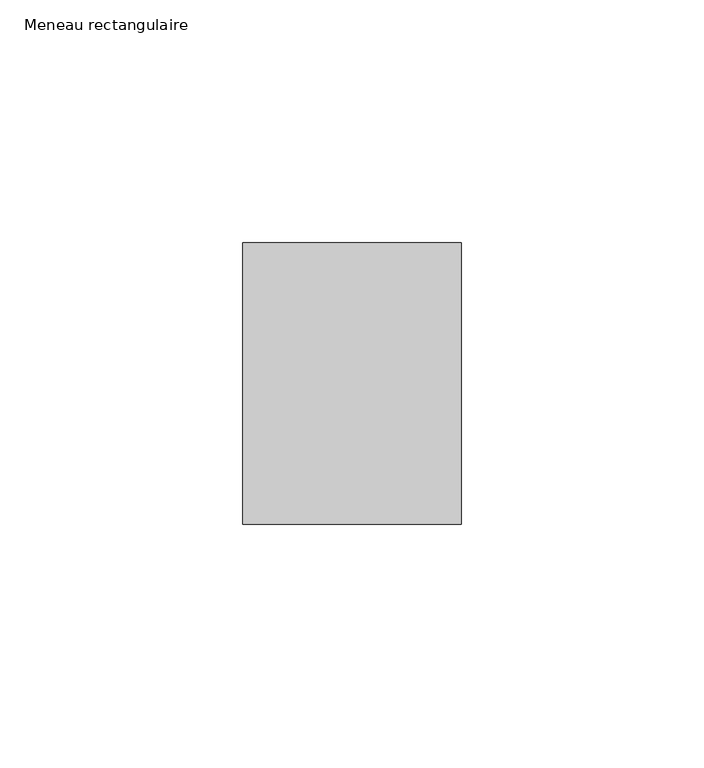
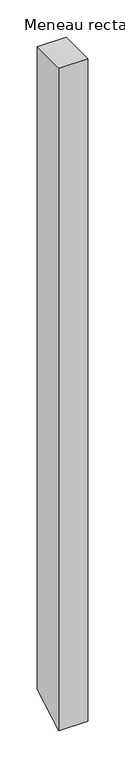
"""IFC4 building model written with IfcOpenShell, lengths in millimetres: member geometry, Meneau rectangulaire."""

from ifc_helpers import new_model, si_unit, frame, origin, place, context, project, spatial, polyline, outline, extrude, source, transform, mapped, element, save


def meneau_rectangulaire_0ae471f6(model_context):
    return source(origin(), model_context, "Body", "SweptSolid", [
        extrude(outline(polyline([(-29.0, 0.0), (29.0, 0.0), (29.0, -1054.9732444), (-29.0, -1088.4595601), (-29.0, 0.0)])), frame((-45.0, 0.0, 0.0), z_axis=(1.0, 0.0, 0.0), x_axis=(0.0, 1.0, 0.0)), (0.0, 0.0, 1.0), 45.0),
    ])


if __name__ == "__main__":
    model = new_model("IFC4")
    model_context = context("Model", 3, world=origin())
    ifc_project = project(units=[si_unit("LENGTHUNIT", "METRE", prefix="MILLI")], contexts=[model_context])
    site = spatial("IfcSite", under=ifc_project)
    building = spatial("IfcBuilding", under=site)
    placement = place(None, origin())
    meneau_rectangulaire_shape = meneau_rectangulaire_0ae471f6(model_context)
    element("IfcMember", 1, ObjectType="Meneau rectangulaire", at=placement, inside=building, context=model_context, shape_type="MappedRepresentation", body=[
        mapped(meneau_rectangulaire_shape, transform((0.0, 0.0, 0.0), x_axis=(1.0, 0.0, 0.0), y_axis=(0.0, 1.0, 0.0), z_axis=(0.0, 0.0, 1.0))),
    ])
    save(model, "model.ifc")
